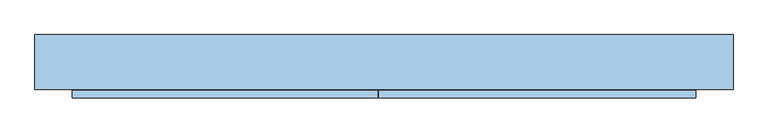
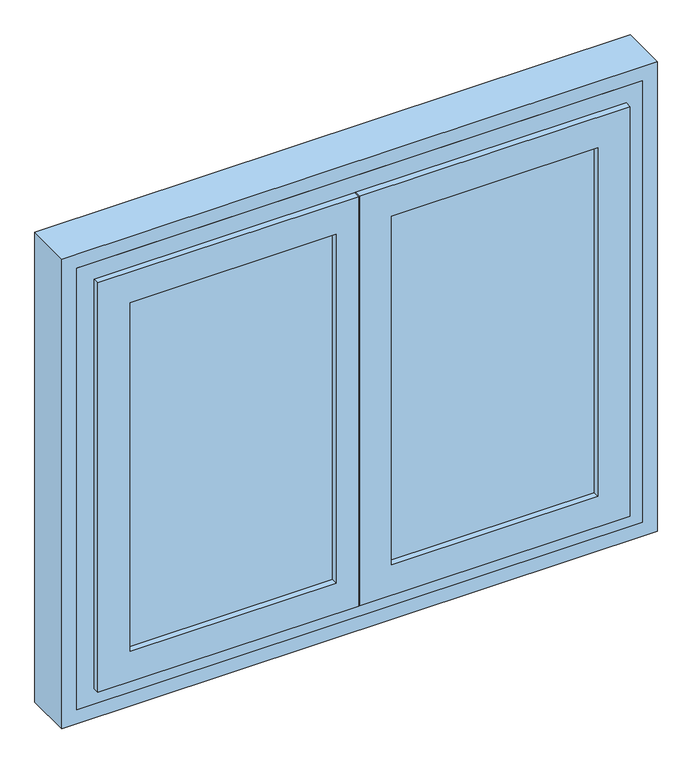
"""IFC4 building model written with IfcOpenShell, lengths in millimetres: window geometry."""

from ifc_helpers import new_model, si_unit, frame, origin, place, context, project, spatial, polyline, outline, extrude, faceted_brep, source, transform, mapped, element, save


def window_c2d1f13a(model_context):
    return source(origin(), model_context, "Body", "SolidModel", [
        extrude(outline(polyline([(491.0, 107.0), (491.0, 104.0), (36.0, 104.0), (36.0, 107.0), (491.0, 107.0)])), frame((0.0, 0.0, 909.0), z_axis=(0.0, 0.0, 1.0), x_axis=(1.0, 0.0, 0.0)), (0.0, 0.0, 1.0), 782.0),
        extrude(outline(polyline([(-36.0, 107.0), (-36.0, 104.0), (-491.0, 104.0), (-491.0, 107.0), (-36.0, 107.0)])), frame((0.0, 0.0, 909.0), z_axis=(0.0, 0.0, 1.0), x_axis=(1.0, 0.0, 0.0)), (0.0, 0.0, 1.0), 782.0),
        extrude(outline(polyline([(491.0, 164.0), (491.0, 161.0), (36.0, 161.0), (36.0, 164.0), (491.0, 164.0)])), frame((0.0, 0.0, 909.0), z_axis=(0.0, 0.0, 1.0), x_axis=(1.0, 0.0, 0.0)), (0.0, 0.0, 1.0), 782.0),
        extrude(outline(polyline([(-36.0, 164.0), (-36.0, 161.0), (-491.0, 161.0), (-491.0, 164.0), (-36.0, 164.0)])), frame((0.0, 0.0, 909.0), z_axis=(0.0, 0.0, 1.0), x_axis=(1.0, 0.0, 0.0)), (0.0, 0.0, 1.0), 782.0),
        faceted_brep([(570.0, 200.0, 830.0), (570.0, 106.0, 830.0), (-570.0, 106.0, 830.0), (-570.0, 200.0, 830.0), (570.0, 200.0, 1770.0), (570.0, 106.0, 1770.0), (-570.0, 106.0, 1770.0), (528.0, 106.0, 1728.0), (528.0, 106.0, 872.0), (-528.0, 106.0, 872.0), (-528.0, 106.0, 1728.0), (-570.0, 200.0, 1770.0), (500.0, 200.0, 1700.0), (-500.0, 200.0, 1700.0), (-500.0, 200.0, 873.6286846), (500.0, 200.0, 873.6286846), (-500.0, 180.0, 1700.0), (-500.0, 180.0, 880.9080893), (-518.0, 180.0, 880.9080893), (-518.0, 177.0, 882.0), (518.0, 177.0, 882.0), (518.0, 180.0, 880.9080893), (500.0, 180.0, 880.9080893), (500.0, 180.0, 1700.0), (528.0, 150.0, 1728.0), (528.0, 150.0, 872.0), (-528.0, 150.0, 872.0), (-528.0, 150.0, 1728.0), (518.0, 150.0, 1718.0), (518.0, 150.0, 882.0), (-518.0, 150.0, 882.0), (-518.0, 150.0, 1718.0), (518.0, 180.0, 1718.0), (-518.0, 180.0, 1718.0)], [[[0, 1, 2, 3]], [[1, 0, 4, 5]], [[2, 1, 5, 6], [7, 8, 9, 10]], [[11, 3, 2, 6]], [[0, 3, 11, 4], [12, 13, 14, 15]], [[13, 16, 17, 14]], [[15, 14, 17, 18, 19, 20, 21, 22]], [[23, 12, 15, 22]], [[7, 24, 25, 8]], [[9, 8, 25, 26]], [[26, 27, 10, 9]], [[24, 27, 26, 25], [28, 29, 30, 31]], [[28, 32, 21, 20, 29]], [[30, 29, 20, 19]], [[33, 31, 30, 19, 18]], [[32, 33, 18, 17, 16, 23, 22, 21]], [[4, 11, 6, 5]], [[7, 10, 27, 24]], [[28, 31, 33, 32]], [[13, 12, 23, 16]]]),
        faceted_brep([(-471.0, 133.0, 1671.0), (-471.0, 107.0, 1671.0), (-471.0, 107.0, 929.0), (-471.0, 133.0, 929.0), (-491.0, 107.0, 1691.0), (-491.0, 107.0, 909.0), (-36.0, 107.0, 909.0), (-36.0, 107.0, 1691.0), (-56.0, 107.0, 1671.0), (-56.0, 107.0, 929.0), (-56.0, 133.0, 929.0), (-526.0, 133.0, 874.0), (-526.0, 133.0, 1726.0), (-1.0, 133.0, 1726.0), (-1.0, 133.0, 874.0), (-56.0, 133.0, 1671.0), (-526.0, 104.0, 1726.0), (-526.0, 104.0, 874.0), (-1.0, 106.0, 874.0), (-11.0, 106.0, 874.0), (-11.0, 104.0, 874.0), (-11.0, 104.0, 864.0), (-536.0, 104.0, 864.0), (-536.0, 104.0, 1736.0), (-11.0, 104.0, 1736.0), (-11.0, 104.0, 1726.0), (-536.0, 91.0, 1736.0), (-536.0, 91.0, 864.0), (-11.0, 91.0, 864.0), (-11.0, 91.0, 1736.0), (-471.0, 91.0, 929.0), (-471.0, 91.0, 1671.0), (-56.0, 91.0, 1671.0), (-56.0, 91.0, 929.0), (-471.0, 104.0, 1671.0), (-471.0, 104.0, 929.0), (-56.0, 104.0, 929.0), (-491.0, 104.0, 909.0), (-491.0, 104.0, 1691.0), (-36.0, 104.0, 1691.0), (-36.0, 104.0, 909.0), (-56.0, 104.0, 1671.0), (-1.0, 106.0, 1726.0), (-11.0, 106.0, 1726.0)], [[[0, 1, 2, 3]], [[4, 5, 6, 7], [2, 1, 8, 9]], [[3, 2, 9, 10]], [[11, 12, 13, 14], [0, 3, 10, 15]], [[16, 12, 11, 17]], [[17, 11, 14, 18, 19, 20]], [[16, 17, 20, 21, 22, 23, 24, 25]], [[26, 23, 22, 27]], [[27, 22, 21, 28]], [[26, 27, 28, 29], [30, 31, 32, 33]], [[34, 31, 30, 35]], [[35, 30, 33, 36]], [[37, 38, 39, 40], [34, 35, 36, 41]], [[4, 38, 37, 5]], [[5, 37, 40, 6]], [[10, 9, 8, 15]], [[14, 13, 42, 18]], [[43, 19, 18, 42]], [[19, 43, 25, 24, 29, 28, 21, 20]], [[36, 33, 32, 41]], [[6, 40, 39, 7]], [[1, 0, 15, 8]], [[12, 16, 25, 43, 42, 13]], [[23, 26, 29, 24]], [[31, 34, 41, 32]], [[38, 4, 7, 39]]]),
        faceted_brep([(56.0, 133.0, 1671.0), (56.0, 107.0, 1671.0), (56.0, 107.0, 929.0), (56.0, 133.0, 929.0), (36.0, 107.0, 909.0), (491.0, 107.0, 909.0), (491.0, 107.0, 1691.0), (36.0, 107.0, 1691.0), (471.0, 107.0, 1671.0), (471.0, 107.0, 929.0), (471.0, 133.0, 929.0), (1.0, 133.0, 1726.0), (526.0, 133.0, 1726.0), (526.0, 133.0, 874.0), (1.0, 133.0, 874.0), (471.0, 133.0, 1671.0), (1.0, 104.0, 1726.0), (1.0, 104.0, 874.0), (526.0, 104.0, 874.0), (-9.0, 104.0, 1736.0), (536.0, 104.0, 1736.0), (536.0, 104.0, 864.0), (-9.0, 104.0, 864.0), (526.0, 104.0, 1726.0), (-9.0, 91.0, 1736.0), (-9.0, 91.0, 864.0), (536.0, 91.0, 864.0), (536.0, 91.0, 1736.0), (56.0, 91.0, 1671.0), (471.0, 91.0, 1671.0), (471.0, 91.0, 929.0), (56.0, 91.0, 929.0), (56.0, 104.0, 1671.0), (56.0, 104.0, 929.0), (471.0, 104.0, 929.0), (36.0, 104.0, 1691.0), (491.0, 104.0, 1691.0), (491.0, 104.0, 909.0), (36.0, 104.0, 909.0), (471.0, 104.0, 1671.0)], [[[0, 1, 2, 3]], [[4, 5, 6, 7], [1, 8, 9, 2]], [[3, 2, 9, 10]], [[11, 12, 13, 14], [3, 10, 15, 0]], [[16, 11, 14, 17]], [[17, 14, 13, 18]], [[19, 20, 21, 22], [17, 18, 23, 16]], [[24, 19, 22, 25]], [[25, 22, 21, 26]], [[25, 26, 27, 24], [28, 29, 30, 31]], [[32, 28, 31, 33]], [[33, 31, 30, 34]], [[35, 36, 37, 38], [33, 34, 39, 32]], [[7, 35, 38, 4]], [[4, 38, 37, 5]], [[10, 9, 8, 15]], [[18, 13, 12, 23]], [[26, 21, 20, 27]], [[34, 30, 29, 39]], [[5, 37, 36, 6]], [[15, 8, 1, 0]], [[23, 12, 11, 16]], [[27, 20, 19, 24]], [[39, 29, 28, 32]], [[6, 36, 35, 7]]]),
        faceted_brep([(-471.0, 177.0, 1671.0), (-471.0, 164.0, 1671.0), (-471.0, 164.0, 929.0), (-471.0, 177.0, 929.0), (-491.0, 164.0, 1691.0), (-491.0, 164.0, 909.0), (-36.0, 164.0, 909.0), (-36.0, 164.0, 1691.0), (-56.0, 164.0, 1671.0), (-56.0, 164.0, 929.0), (-56.0, 177.0, 929.0), (9.0, 177.0, 884.0), (-516.0, 177.0, 884.0), (-516.0, 177.0, 1716.0), (9.0, 177.0, 1716.0), (-56.0, 177.0, 1671.0), (-516.0, 148.0, 1716.0), (-516.0, 148.0, 884.0), (9.0, 150.0, 884.0), (-1.0, 150.0, 884.0), (-1.0, 148.0, 884.0), (-1.0, 148.0, 1716.0), (-1.0, 148.0, 874.0), (-526.0, 148.0, 874.0), (-526.0, 148.0, 1726.0), (-1.0, 148.0, 1726.0), (-526.0, 135.0, 1726.0), (-526.0, 135.0, 874.0), (-1.0, 135.0, 874.0), (-1.0, 135.0, 1726.0), (-471.0, 135.0, 929.0), (-471.0, 135.0, 1671.0), (-56.0, 135.0, 1671.0), (-56.0, 135.0, 929.0), (-471.0, 161.0, 1671.0), (-471.0, 161.0, 929.0), (-56.0, 161.0, 929.0), (-491.0, 161.0, 909.0), (-491.0, 161.0, 1691.0), (-36.0, 161.0, 1691.0), (-36.0, 161.0, 909.0), (-56.0, 161.0, 1671.0), (9.0, 150.0, 1716.0), (-1.0, 150.0, 1716.0)], [[[0, 1, 2, 3]], [[4, 5, 6, 7], [2, 1, 8, 9]], [[3, 2, 9, 10]], [[11, 12, 13, 14], [0, 3, 10, 15]], [[16, 13, 12, 17]], [[17, 12, 11, 18, 19, 20]], [[21, 16, 17, 20, 22, 23, 24, 25]], [[26, 24, 23, 27]], [[27, 23, 22, 28]], [[26, 27, 28, 29], [30, 31, 32, 33]], [[34, 31, 30, 35]], [[35, 30, 33, 36]], [[37, 38, 39, 40], [34, 35, 36, 41]], [[4, 38, 37, 5]], [[5, 37, 40, 6]], [[10, 9, 8, 15]], [[14, 42, 18, 11]], [[42, 43, 19, 18]], [[28, 22, 20, 19, 43, 21, 25, 29]], [[36, 33, 32, 41]], [[6, 40, 39, 7]], [[1, 0, 15, 8]], [[14, 13, 16, 21, 43, 42]], [[24, 26, 29, 25]], [[31, 34, 41, 32]], [[38, 4, 7, 39]]]),
        faceted_brep([(56.0, 177.0, 1671.0), (56.0, 164.0, 1671.0), (56.0, 164.0, 929.0), (56.0, 177.0, 929.0), (36.0, 164.0, 909.0), (491.0, 164.0, 909.0), (491.0, 164.0, 1691.0), (36.0, 164.0, 1691.0), (471.0, 164.0, 1671.0), (471.0, 164.0, 929.0), (471.0, 177.0, 929.0), (11.0, 177.0, 1716.0), (516.0, 177.0, 1716.0), (516.0, 177.0, 884.0), (11.0, 177.0, 884.0), (471.0, 177.0, 1671.0), (11.0, 148.0, 1716.0), (11.0, 148.0, 884.0), (516.0, 148.0, 884.0), (1.0, 148.0, 1726.0), (526.0, 148.0, 1726.0), (526.0, 148.0, 874.0), (1.0, 148.0, 874.0), (516.0, 148.0, 1716.0), (1.0, 135.0, 1726.0), (1.0, 135.0, 874.0), (526.0, 135.0, 874.0), (526.0, 135.0, 1726.0), (56.0, 135.0, 1671.0), (471.0, 135.0, 1671.0), (471.0, 135.0, 929.0), (56.0, 135.0, 929.0), (56.0, 161.0, 1671.0), (56.0, 161.0, 929.0), (471.0, 161.0, 929.0), (36.0, 161.0, 1691.0), (491.0, 161.0, 1691.0), (491.0, 161.0, 909.0), (36.0, 161.0, 909.0), (471.0, 161.0, 1671.0)], [[[0, 1, 2, 3]], [[4, 5, 6, 7], [1, 8, 9, 2]], [[3, 2, 9, 10]], [[11, 12, 13, 14], [3, 10, 15, 0]], [[16, 11, 14, 17]], [[17, 14, 13, 18]], [[19, 20, 21, 22], [17, 18, 23, 16]], [[24, 19, 22, 25]], [[25, 22, 21, 26]], [[25, 26, 27, 24], [28, 29, 30, 31]], [[32, 28, 31, 33]], [[33, 31, 30, 34]], [[35, 36, 37, 38], [33, 34, 39, 32]], [[7, 35, 38, 4]], [[4, 38, 37, 5]], [[10, 9, 8, 15]], [[18, 13, 12, 23]], [[26, 21, 20, 27]], [[34, 30, 29, 39]], [[5, 37, 36, 6]], [[15, 8, 1, 0]], [[23, 12, 11, 16]], [[27, 20, 19, 24]], [[39, 29, 28, 32]], [[6, 36, 35, 7]]]),
        extrude(outline(polyline([(800.0, -600.0), (800.0, 600.0), (1800.0, 600.0), (1800.0, -600.0), (800.0, -600.0)]), holes=[polyline([(1770.0, -570.0), (1770.0, 570.0), (830.0, 570.0), (830.0, -570.0), (1770.0, -570.0)])]), frame((0.0, 106.0, 0.0), z_axis=(0.0, 1.0, 0.0), x_axis=(0.0, 0.0, 1.0)), (0.0, 0.0, 1.0), 94.0),
    ])


if __name__ == "__main__":
    model = new_model("IFC4")
    model_context = context("Model", 3, world=origin())
    ifc_project = project(units=[si_unit("LENGTHUNIT", "METRE", prefix="MILLI")], contexts=[model_context])
    site = spatial("IfcSite", under=ifc_project)
    building = spatial("IfcBuilding", under=site)
    placement = place(None, origin())
    window_shape = window_c2d1f13a(model_context)
    element("IfcWindow", 1, at=placement, inside=building, context=model_context, shape_type="MappedRepresentation", body=[
        mapped(window_shape, transform((0.0, 0.0, 0.0), x_axis=(1.0, 0.0, 0.0), y_axis=(0.0, 1.0, 0.0), z_axis=(0.0, 0.0, 1.0))),
    ])
    save(model, "model.ifc")
